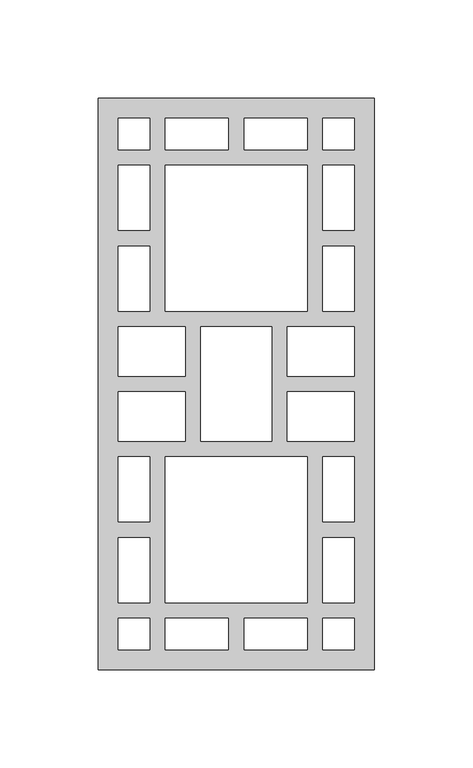
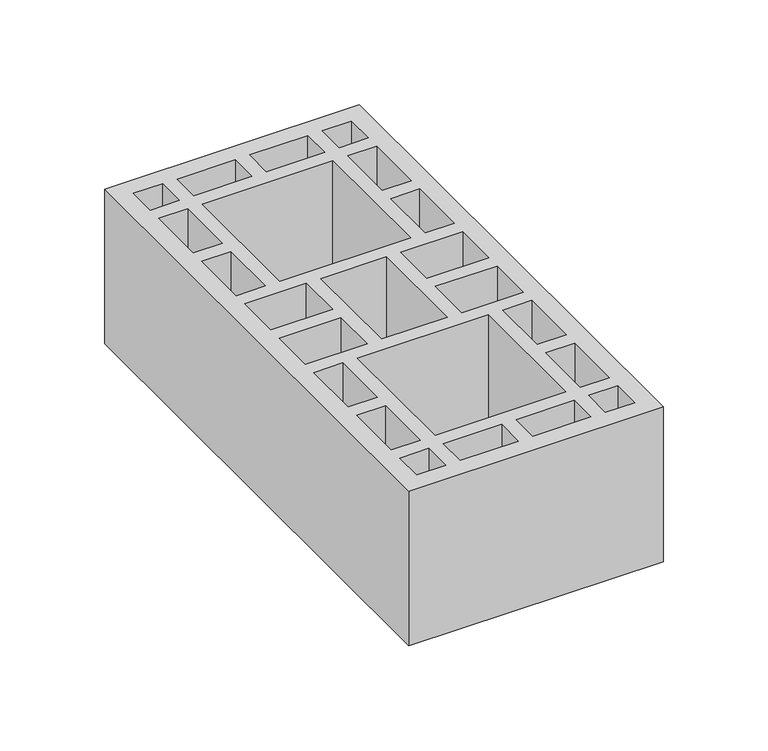
"""IFC4 building model written with IfcOpenShell, lengths in millimetres: proxy geometry."""

from ifc_helpers import new_model, si_unit, origin, origin_with_axes, place, context, project, spatial, polyline, outline, extrude, source, transform, mapped, element, save


def generic_models_a757b449(model_context):
    return source(origin(), model_context, "Body", "SweptSolid", [
        extrude(outline(polyline([(140.0, 0.0), (0.0, 0.0), (0.0, 290.0), (140.0, 290.0), (140.0, 0.0)]), holes=[polyline([(114.0, 10.0), (130.0, 10.0), (130.0, 26.0), (114.0, 26.0), (114.0, 10.0)]), polyline([(106.0, 34.0), (106.0, 108.0), (34.0, 108.0), (34.0, 34.0), (106.0, 34.0)]), polyline([(10.0, 75.0), (26.0, 75.0), (26.0, 108.0), (10.0, 108.0), (10.0, 75.0)]), polyline([(26.0, 67.0330091), (10.0, 67.0330091), (10.0, 34.0), (26.0, 34.0), (26.0, 67.0330091)]), polyline([(44.0, 174.0282224), (10.0, 174.0282224), (10.0, 149.0282224), (44.0, 149.0282224), (44.0, 174.0282224)]), polyline([(26.0, 10.0), (26.0, 26.0), (10.0, 26.0), (10.0, 10.0), (26.0, 10.0)]), polyline([(34.0, 10.0), (66.0, 10.0), (66.0, 26.0), (34.0, 26.0), (34.0, 10.0)]), polyline([(106.0, 10.0), (106.0, 26.0), (74.0, 26.0), (74.0, 10.0), (106.0, 10.0)]), polyline([(130.0, 75.0), (130.0, 108.0), (114.0, 108.0), (114.0, 75.0), (130.0, 75.0)]), polyline([(114.0, 67.0330091), (114.0, 34.0), (130.0, 34.0), (130.0, 67.0330091), (114.0, 67.0330091)]), polyline([(52.0, 116.0282224), (88.0, 116.0282224), (88.0, 174.0282224), (52.0, 174.0282224), (52.0, 116.0282224)]), polyline([(44.0, 116.0282224), (44.0, 141.0282224), (10.0, 141.0282224), (10.0, 116.0282224), (44.0, 116.0282224)]), polyline([(96.0, 174.0282224), (96.0, 149.0282224), (130.0, 149.0282224), (130.0, 174.0282224), (96.0, 174.0282224)]), polyline([(96.0, 116.0282224), (130.0, 116.0282224), (130.0, 141.0282224), (96.0, 141.0282224), (96.0, 116.0282224)]), polyline([(114.0, 280.0), (114.0, 264.0), (130.0, 264.0), (130.0, 280.0), (114.0, 280.0)]), polyline([(106.0, 256.0), (34.0, 256.0), (34.0, 182.0), (106.0, 182.0), (106.0, 256.0)]), polyline([(10.0, 215.0), (10.0, 182.0), (26.0, 182.0), (26.0, 215.0), (10.0, 215.0)]), polyline([(26.0, 222.9669909), (26.0, 256.0), (10.0, 256.0), (10.0, 222.9669909), (26.0, 222.9669909)]), polyline([(26.0, 280.0), (10.0, 280.0), (10.0, 264.0), (26.0, 264.0), (26.0, 280.0)]), polyline([(34.0, 280.0), (34.0, 264.0), (66.0, 264.0), (66.0, 280.0), (34.0, 280.0)]), polyline([(106.0, 280.0), (74.0, 280.0), (74.0, 264.0), (106.0, 264.0), (106.0, 280.0)]), polyline([(130.0, 215.0), (114.0, 215.0), (114.0, 182.0), (130.0, 182.0), (130.0, 215.0)]), polyline([(114.0, 222.9669909), (130.0, 222.9669909), (130.0, 256.0), (114.0, 256.0), (114.0, 222.9669909)])]), origin_with_axes(), (0.0, 0.0, 1.0), 90.0),
    ])


if __name__ == "__main__":
    model = new_model("IFC4")
    model_context = context("Model", 3, world=origin())
    ifc_project = project(units=[si_unit("LENGTHUNIT", "METRE", prefix="MILLI")], contexts=[model_context])
    site = spatial("IfcSite", under=ifc_project)
    building = spatial("IfcBuilding", under=site)
    placement = place(None, origin())
    generic_models_shape = generic_models_a757b449(model_context)
    element("IfcBuildingElementProxy", 1, Name="Generic Models", at=placement, inside=building, context=model_context, shape_type="MappedRepresentation", body=[
        mapped(generic_models_shape, transform((0.0, 0.0, 0.0), x_axis=(1.0, 0.0, 0.0), y_axis=(0.0, 1.0, 0.0), z_axis=(0.0, 0.0, 1.0))),
    ])
    save(model, "model.ifc")
